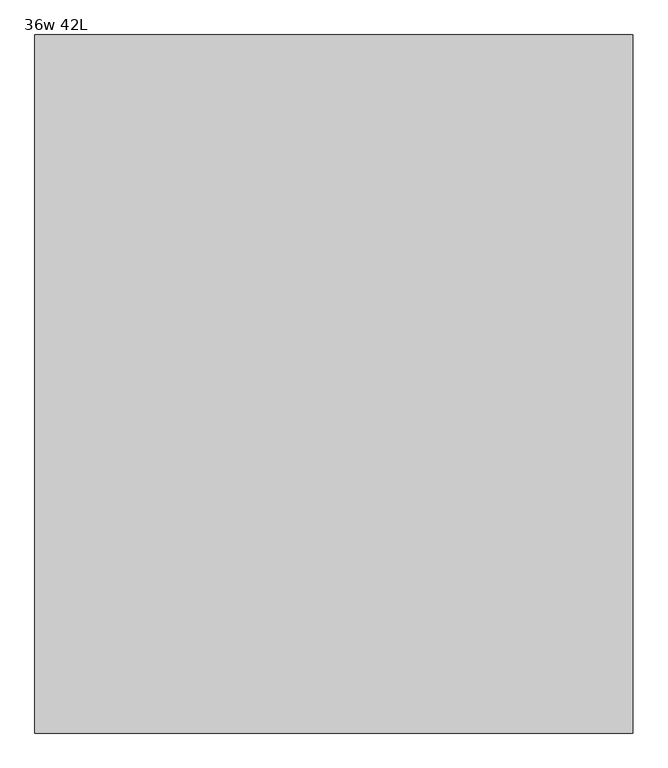
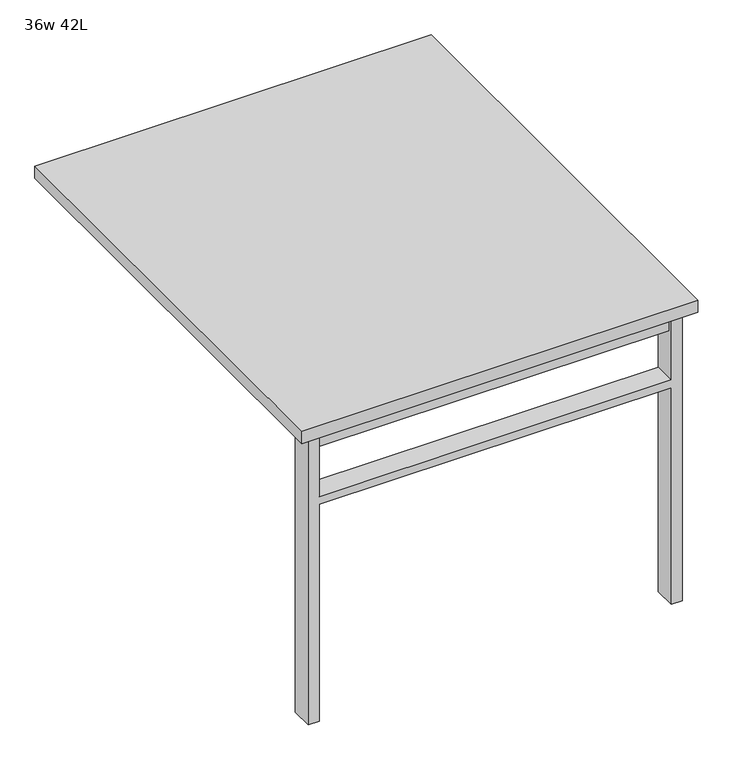
"""IFC4 building model written with IfcOpenShell, lengths in millimetres: furniture geometry, 36w 42L."""

from ifc_helpers import new_model, si_unit, frame, origin, place, context, project, spatial, polyline, outline, extrude, source, transform, mapped, element, save


def furniture_36w_42l_5464fec2(model_context):
    return source(origin(), model_context, "Body", "SweptSolid", [
        extrude(outline(polyline([(-406.4, -473.075), (406.4, -473.075), (406.4, -504.825), (-406.4, -504.825), (-406.4, -473.075)])), frame((0.0, 0.0, 661.9875), z_axis=(0.0, 0.0, 1.0), x_axis=(1.0, 0.0, 0.0)), (0.0, 0.0, 1.0), 44.45),
        extrude(outline(polyline([(528.6375, 406.4), (0.0, 406.4), (0.0, 431.8), (706.4375, 431.8), (706.4375, 406.4), (547.6875, 406.4), (547.6875, -406.4), (706.4375, -406.4), (706.4375, -431.8), (0.0, -431.8), (0.0, -406.4), (528.6375, -406.4), (528.6375, 406.4)])), frame((0.0, -514.35, 0.0), z_axis=(0.0, 1.0, 0.0), x_axis=(0.0, 0.0, 1.0)), (0.0, 0.0, 1.0), 50.8),
        extrude(outline(polyline([(-457.2, -533.4), (-457.2, 533.4), (457.2, 533.4), (457.2, -533.4), (-457.2, -533.4)])), frame((0.0, 0.0, 706.4375), z_axis=(0.0, 0.0, 1.0), x_axis=(1.0, 0.0, 0.0)), (0.0, 0.0, 1.0), 30.1625),
    ])


if __name__ == "__main__":
    model = new_model("IFC4")
    model_context = context("Model", 3, world=origin())
    ifc_project = project(units=[si_unit("LENGTHUNIT", "METRE", prefix="MILLI")], contexts=[model_context])
    site = spatial("IfcSite", under=ifc_project)
    building = spatial("IfcBuilding", under=site)
    placement = place(None, origin())
    furniture_36w_42l_shape = furniture_36w_42l_5464fec2(model_context)
    element("IfcFurniture", 1, ObjectType="36w 42L", at=placement, inside=building, context=model_context, shape_type="MappedRepresentation", body=[
        mapped(furniture_36w_42l_shape, transform((0.0, 0.0, 0.0), x_axis=(1.0, 0.0, 0.0), y_axis=(0.0, 1.0, 0.0), z_axis=(0.0, 0.0, 1.0))),
    ])
    save(model, "model.ifc")
